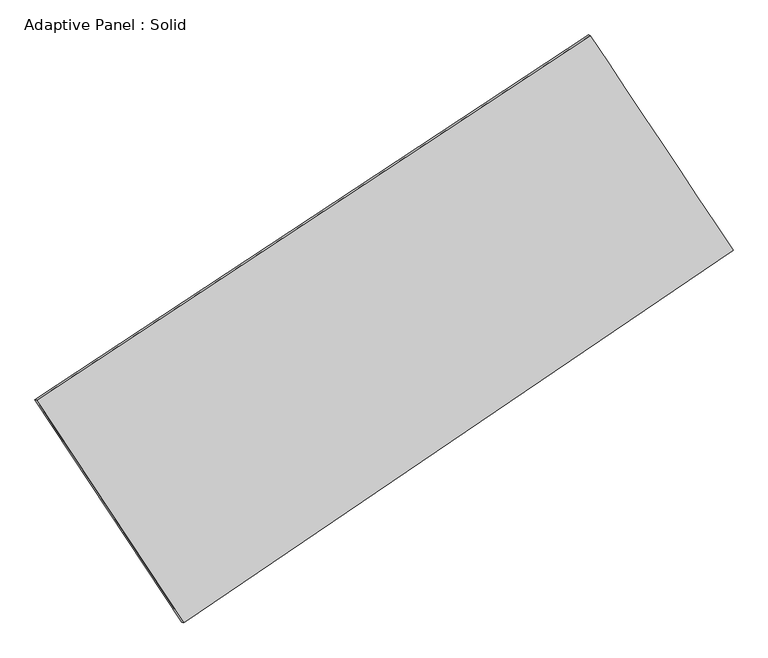
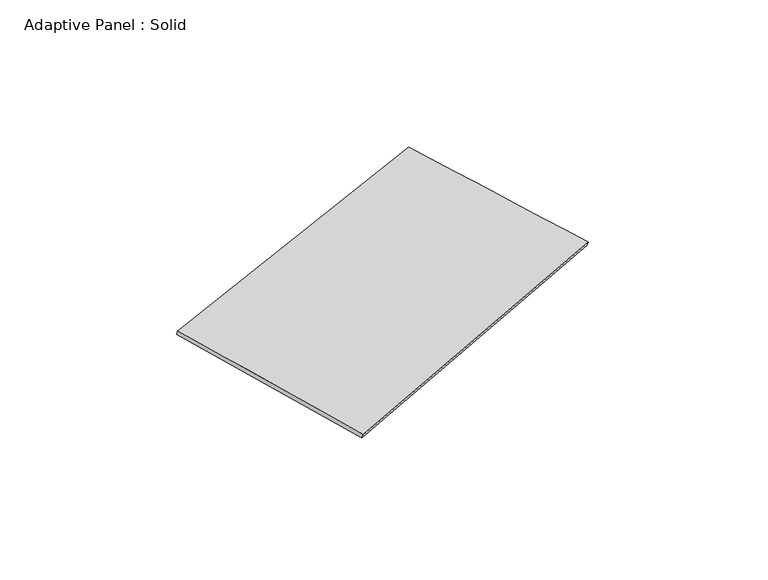
"""IFC4 building model written with IfcOpenShell, lengths in millimetres: plate geometry, Adaptive Panel : Solid."""

from ifc_helpers import new_model, si_unit, frame, origin, place, context, project, spatial, source, transform, mapped, element, save
from ifc_brep_helpers import plane_surface, spline_surface, advanced_brep


def adaptive_panel_solid_f5354e45(model_context):
    return source(origin(), model_context, "Body", "AdvancedBrep", [
        advanced_brep(
        [(1134.5176877, 2447.7819176, 644.2503733), (-3702.6777732, -737.8772286, 1746.9323638), (-3688.0114173, -744.2573221, 1794.3052718), (1149.1840435, 2441.4018241, 691.6232813), (-2417.8187756, -2683.47527, 1053.6787224), (-2403.1524198, -2689.8553634, 1101.0516304), (2382.688283, 573.3220082, 40.2610607), (2397.3546388, 566.9419147, 87.6339687)],
        [
            (0, 1),
            (1, 2),
            (2, 3),
            (3, 0),
            (1, 4),
            (4, 5),
            (5, 2),
            (4, 6),
            (6, 7),
            (7, 5),
            (6, 0),
            (3, 7),
        ],
        [
            plane_surface(frame((-1284.0800427, 854.9523445, 1195.5913685), z_axis=(-0.4880628935367741, 0.8321849492006068, 0.26317830890195987), x_axis=(-0.8204201410973818, -0.5403087279289019, 0.1870221126113279))),
            plane_surface(frame((-3060.2482744, -1710.6762493, 1400.3055431), z_axis=(-0.7942596016535279, -0.5841108853781186, 0.16723085470082838), x_axis=(0.5282159063370191, -0.7998510612921591, -0.28500216848713344))),
            plane_surface(frame((-17.5652463, -1055.0766309, 546.9698916), z_axis=(0.5020347594569379, -0.8228451518078473, -0.2662460449346347), x_axis=(0.8151851506281983, 0.5530442403958893, -0.17209078522749427))),
            plane_surface(frame((1758.6029853, 1510.5519629, 342.255717), z_axis=(0.7948332031934703, 0.5832457182088129, -0.16752495722218164), x_axis=(-0.5353291918358092, 0.8039390707042852, 0.2590456078831483))),
            spline_surface(1, 1, [[(-3688.0114173, -744.2573221, 1794.3052718), (1149.1840435, 2441.4018241, 691.6232813)], [(-2403.1524198, -2689.8553634, 1101.0516304), (2397.3546388, 566.9419147, 87.6339687)]], [2, 2], [2, 2], [0.0, 1.0], [0.0, 1.0]),
            spline_surface(1, 1, [[(2382.688283, 573.3220082, 40.2610607), (1134.5176877, 2447.7819176, 644.2503733)], [(-2417.8187756, -2683.47527, 1053.6787224), (-3702.6777732, -737.8772286, 1746.9323638)]], [2, 2], [2, 2], [0.0, 1.0], [0.0, 1.0]),
        ],
        [
            (0, [[1, 2, 3, 4]]),
            (1, [[5, 6, 7, -2]]),
            (2, [[8, 9, 10, -6]]),
            (3, [[11, -4, 12, -9]]),
            (4, [[-3, -7, -10, -12]]),
            (5, [[-11, -8, -5, -1]]),
        ],
    ),
    ])


if __name__ == "__main__":
    model = new_model("IFC4")
    model_context = context("Model", 3, world=origin())
    ifc_project = project(units=[si_unit("LENGTHUNIT", "METRE", prefix="MILLI")], contexts=[model_context])
    site = spatial("IfcSite", under=ifc_project)
    building = spatial("IfcBuilding", under=site)
    placement = place(None, origin())
    adaptive_panel_solid_shape = adaptive_panel_solid_f5354e45(model_context)
    element("IfcPlate", 1, ObjectType="Adaptive Panel : Solid", at=placement, inside=building, context=model_context, shape_type="MappedRepresentation", body=[
        mapped(adaptive_panel_solid_shape, transform((0.0, 0.0, 0.0), x_axis=(1.0, 0.0, 0.0), y_axis=(0.0, 1.0, 0.0), z_axis=(0.0, 0.0, 1.0))),
    ])
    save(model, "model.ifc")
